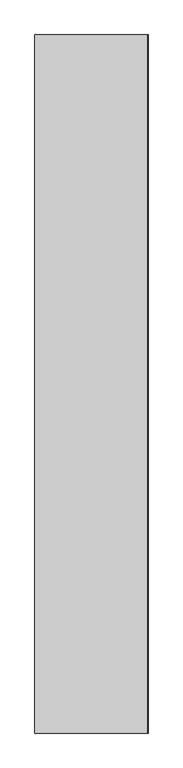
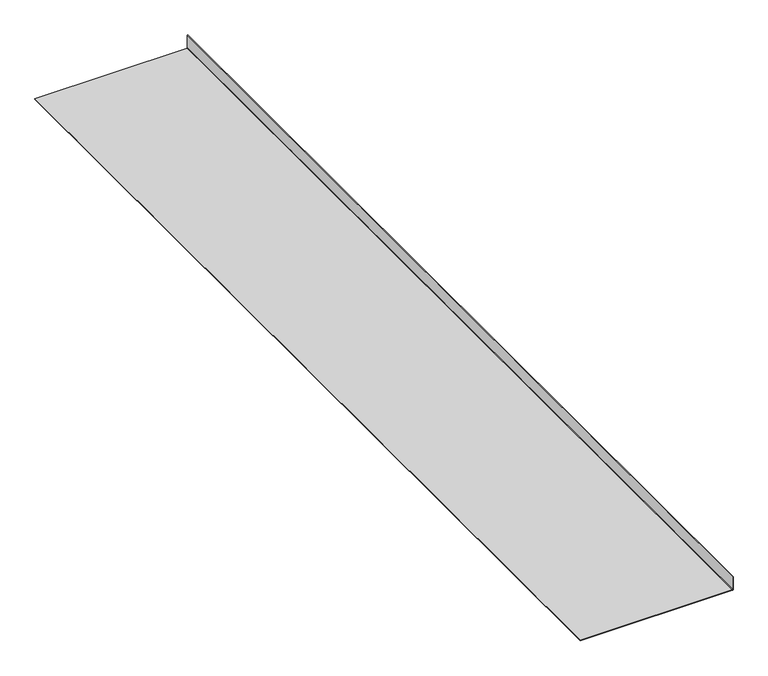
"""IFC4 building model written with IfcOpenShell, lengths in millimetres: proxy geometry."""

from ifc_helpers import new_model, si_unit, point, frame, frame_2d, origin, place, context, project, spatial, polyline, circle_curve, trimmed, segment, composite_curve, outline, extrude, source, transform, mapped, element, save


def generic_models_0361eb7d(model_context):
    return source(origin(), model_context, "Body", "SweptSolid", [
        extrude(outline(composite_curve([segment(polyline([(4691.9402056, 36536.9618587), (4688.7652056, 36536.9618587), (4688.7652056, 37589.3960168)]), True, "CONTINUOUS"), segment(trimmed(circle_curve(frame_2d((4695.1152056, 37589.3960168)), 6.35), [point((4688.7652056, 37589.3960168))], [point((4695.1152056, 37595.7460168))], False, "CARTESIAN"), True, "CONTINUOUS"), segment(polyline([(4695.1152056, 37595.7460168), (4788.0991098, 37595.7460168), (4788.0991098, 37592.5710168), (4695.1152056, 37592.5710168)]), True, "CONTINUOUS"), segment(trimmed(circle_curve(frame_2d((4695.1152056, 37589.3960168)), 3.175), [point((4695.1152056, 37592.5710168))], [point((4691.9402056, 37589.3960168))], True, "CARTESIAN"), True, "CONTINUOUS"), segment(polyline([(4691.9402056, 37589.3960168), (4691.9402056, 36536.9618587)]), True, "CONTINUOUS")], self_intersect=False)), frame((0.0, -25196.3529893, 0.0), z_axis=(0.0, 1.0, 0.0), x_axis=(0.0, 0.0, 1.0)), (0.0, 0.0, 1.0), 6533.92),
    ])


if __name__ == "__main__":
    model = new_model("IFC4")
    model_context = context("Model", 3, world=origin())
    ifc_project = project(units=[si_unit("LENGTHUNIT", "METRE", prefix="MILLI")], contexts=[model_context])
    site = spatial("IfcSite", under=ifc_project)
    building = spatial("IfcBuilding", under=site)
    placement = place(None, origin())
    generic_models_shape = generic_models_0361eb7d(model_context)
    element("IfcBuildingElementProxy", 1, Name="Generic Models", at=placement, inside=building, context=model_context, shape_type="MappedRepresentation", body=[
        mapped(generic_models_shape, transform((0.0, 0.0, 0.0), x_axis=(1.0, 0.0, 0.0), y_axis=(0.0, 1.0, 0.0), z_axis=(0.0, 0.0, 1.0))),
    ])
    save(model, "model.ifc")
